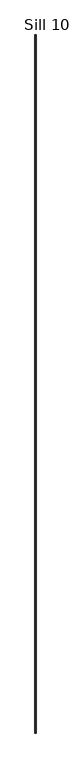
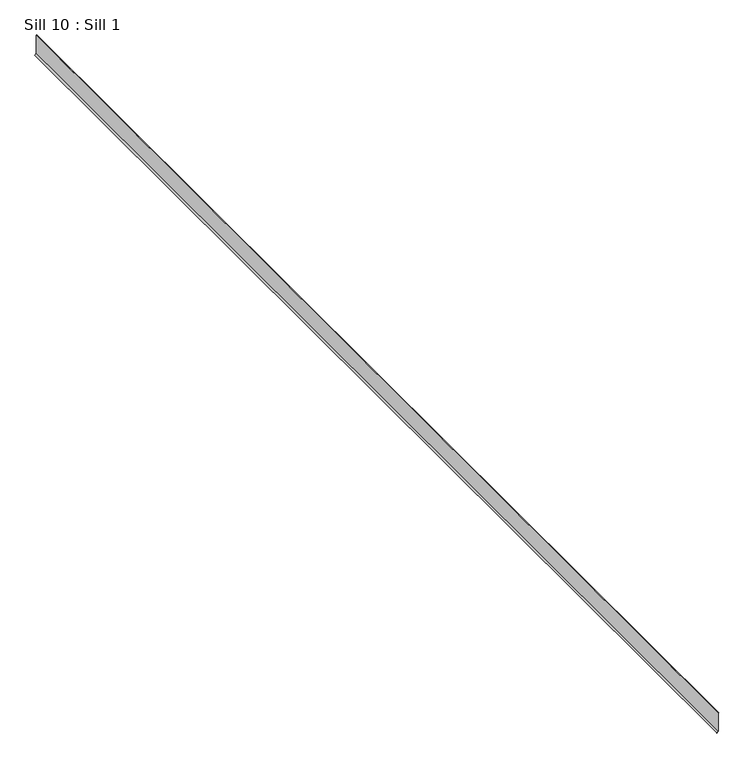
"""IFC4 building model written with IfcOpenShell, lengths in millimetres: proxy geometry, Sill 10 : Sill 1."""

from ifc_helpers import new_model, si_unit, frame, origin, place, context, project, spatial, polyline, outline, extrude, source, transform, mapped, element, save


def sill_10_sill_1_3ad3229b(model_context):
    return source(origin(), model_context, "Body", "SweptSolid", [
        extrude(outline(polyline([(-555.8098139, -22837.3597558), (-564.32308, -22845.8730219), (-565.4458804, -22844.7502214), (-556.4519246, -22835.7562657), (-436.7868188, -22835.7562657), (-434.8554468, -22833.4207094), (-433.6364158, -22834.4287785), (-436.060167, -22837.3597558), (-555.8098139, -22837.3597558)])), frame((0.0, 5337.4417153, 0.0), z_axis=(0.0, 1.0, 0.0), x_axis=(0.0, 0.0, 1.0)), (0.0, 0.0, 1.0), 7468.8971771),
    ])


if __name__ == "__main__":
    model = new_model("IFC4")
    model_context = context("Model", 3, world=origin())
    ifc_project = project(units=[si_unit("LENGTHUNIT", "METRE", prefix="MILLI")], contexts=[model_context])
    site = spatial("IfcSite", under=ifc_project)
    building = spatial("IfcBuilding", under=site)
    placement = place(None, origin())
    sill_10_sill_1_shape = sill_10_sill_1_3ad3229b(model_context)
    element("IfcBuildingElementProxy", 1, Name="Sill 10 : Sill 1", ObjectType="Sill 10 : Sill 1", at=placement, inside=building, context=model_context, shape_type="MappedRepresentation", body=[
        mapped(sill_10_sill_1_shape, transform((0.0, 0.0, 0.0), x_axis=(1.0, 0.0, 0.0), y_axis=(0.0, 1.0, 0.0), z_axis=(0.0, 0.0, 1.0))),
    ])
    save(model, "model.ifc")
